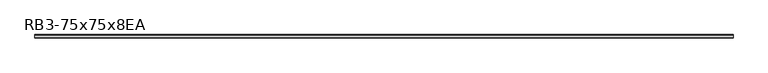
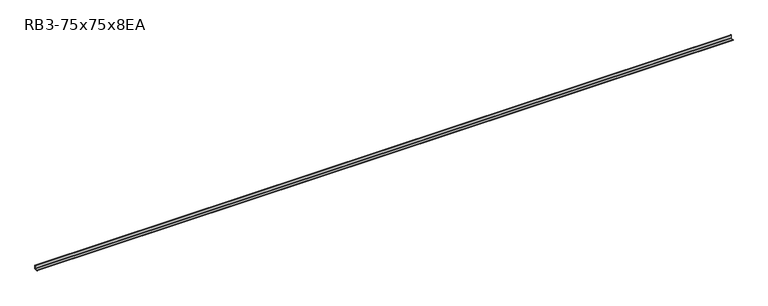
"""IFC4 building model written with IfcOpenShell, lengths in millimetres: member geometry, RB3-75x75x8EA."""

from ifc_helpers import new_model, si_unit, point, frame, frame_2d, origin, place, context, project, spatial, polyline, circle_curve, trimmed, segment, composite_curve, outline, extrude, source, transform, mapped, element, save


def rb3_75x75x8ea_03202d4f(model_context):
    return source(origin(), model_context, "Body", "SweptSolid", [
        extrude(outline(composite_curve([segment(polyline([(21.3, -21.3), (-53.7, -21.3), (-53.7, -18.3)]), True, "CONTINUOUS"), segment(trimmed(circle_curve(frame_2d((-48.7, -18.3)), 5.0), [point((-53.7, -18.3))], [point((-48.7, -13.3))], False, "CARTESIAN"), True, "CONTINUOUS"), segment(polyline([(-48.7, -13.3), (5.3, -13.3)]), True, "CONTINUOUS"), segment(trimmed(circle_curve(frame_2d((5.3, -5.3)), 8.0), [point((5.3, -13.3))], [point((13.3, -5.3))], True, "CARTESIAN"), True, "CONTINUOUS"), segment(polyline([(13.3, -5.3), (13.3, 48.7)]), True, "CONTINUOUS"), segment(trimmed(circle_curve(frame_2d((18.3, 48.7)), 5.0), [point((13.3, 48.7))], [point((18.3, 53.7))], False, "CARTESIAN"), True, "CONTINUOUS"), segment(polyline([(18.3, 53.7), (21.3, 53.7), (21.3, -21.3)]), True, "CONTINUOUS")], self_intersect=False)), frame((-7310.2265301, 0.0, 0.0), z_axis=(1.0, 0.0, 0.0), x_axis=(0.0, 1.0, 0.0)), (0.0, 0.0, 1.0), 14635.2717804),
    ])


if __name__ == "__main__":
    model = new_model("IFC4")
    model_context = context("Model", 3, world=origin())
    ifc_project = project(units=[si_unit("LENGTHUNIT", "METRE", prefix="MILLI")], contexts=[model_context])
    site = spatial("IfcSite", under=ifc_project)
    building = spatial("IfcBuilding", under=site)
    placement = place(None, origin())
    rb3_75x75x8ea_shape = rb3_75x75x8ea_03202d4f(model_context)
    element("IfcMember", 1, ObjectType="RB3-75x75x8EA", at=placement, inside=building, context=model_context, shape_type="MappedRepresentation", body=[
        mapped(rb3_75x75x8ea_shape, transform((0.0, 0.0, 0.0), x_axis=(1.0, 0.0, 0.0), y_axis=(0.0, 1.0, 0.0), z_axis=(0.0, 0.0, 1.0))),
    ])
    save(model, "model.ifc")
